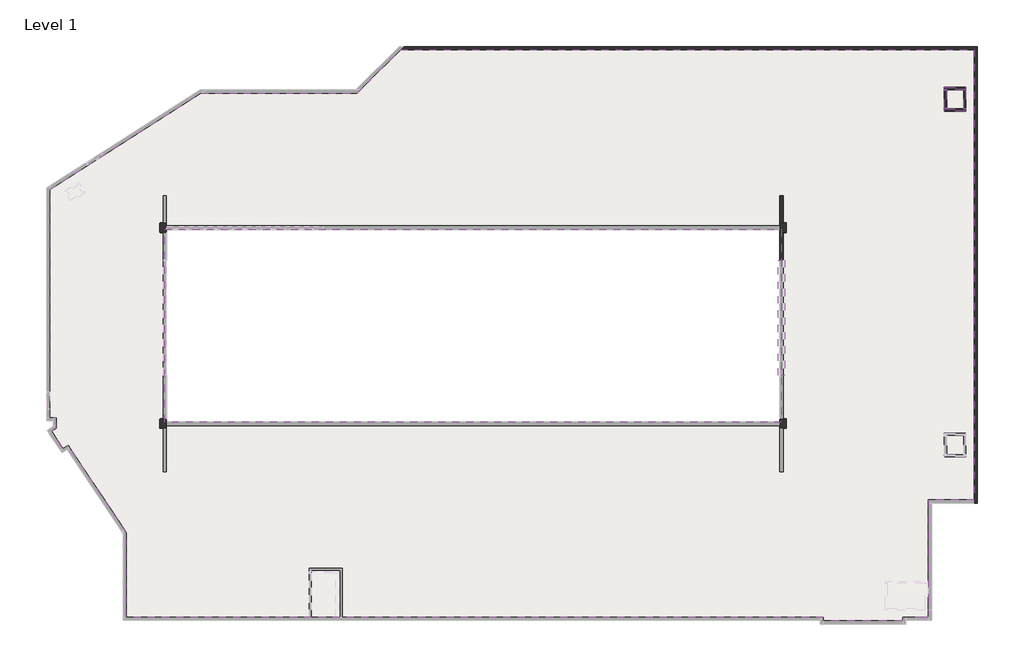
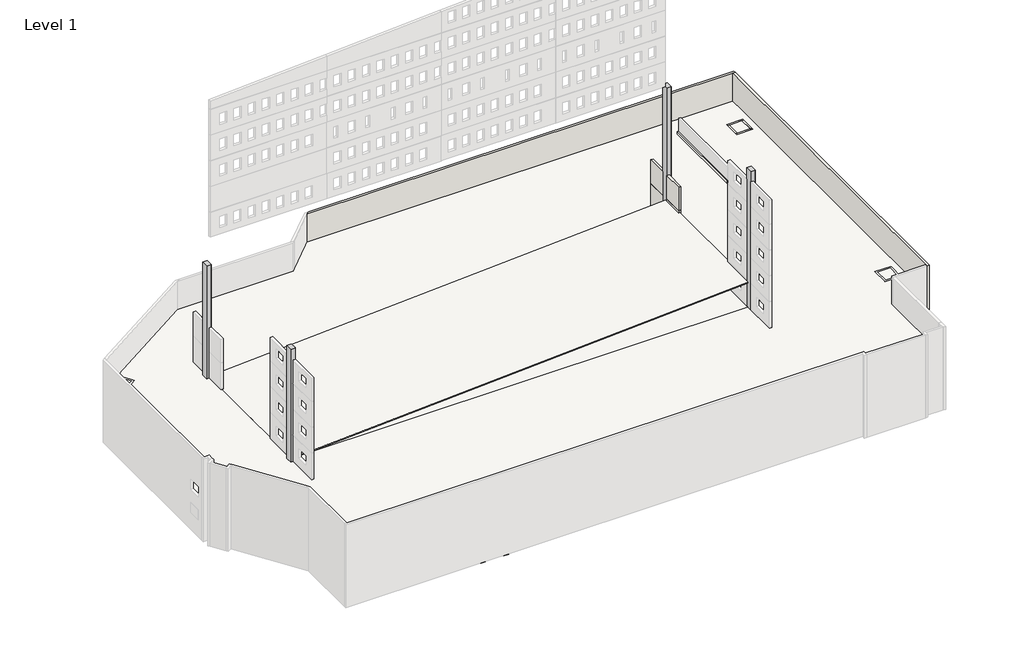
# One storey, part 4 of 4: 13 walls, 8 columns, 8 footings, 5 slabs.
"""IFC4 building model written with IfcOpenShell, lengths in millimetres."""

from ifc_helpers import new_model, si_unit, frame, origin, place, context, project, spatial, polyline, outline, extrude, faceted_brep, element, save

model = new_model("IFC4")

# Units and contexts
model_context = context("Model", 3, world=origin())
ifc_project = project(units=[si_unit("LENGTHUNIT", "METRE", prefix="MILLI")], contexts=[model_context])

# Site, building, storey
site = spatial("IfcSite", under=ifc_project)
building = spatial("IfcBuilding", under=site)
storey = spatial("IfcBuildingStorey", under=building, Name="Level 1", Elevation=0.0)

# Columns
placement = place(None, origin())
element("IfcColumn", 1, ObjectType="03-WPC_CIP Column Rectangular : 26x38", at=placement, inside=storey, context=model_context, shape_type="SweptSolid", body=[
    extrude(outline(polyline([(-5195.7215611, 5966.3319731), (-5195.7215611, 6931.5319731), (-4890.9215611, 6931.5319731), (-4890.9215611, 5966.3319731), (-5195.7215611, 5966.3319731)])), frame((0.0, 0.0, -660.4), z_axis=(0.0, 0.0, 1.0), x_axis=(1.0, 0.0, 0.0)), (0.0, 0.0, 1.0), 1066.8),
])
element("IfcColumn", 2, ObjectType="03-WPC_CIP Column Rectangular : 26x38", at=placement, inside=storey, context=model_context, shape_type="SweptSolid", body=[
    extrude(outline(polyline([(-5195.7215611, -12626.4680269), (-5195.7215611, -11661.2680269), (-4890.9215611, -11661.2680269), (-4890.9215611, -12626.4680269), (-5195.7215611, -12626.4680269)])), frame((0.0, 0.0, -660.4), z_axis=(0.0, 0.0, 1.0), x_axis=(1.0, 0.0, 0.0)), (0.0, 0.0, 1.0), 1066.8),
])
element("IfcColumn", 3, ObjectType="03-WPC_CIP Column Rectangular : 26x38", at=placement, inside=storey, context=model_context, shape_type="SweptSolid", body=[
    extrude(outline(polyline([(54291.0784389, 6931.5319731), (54291.0784389, 5966.3319731), (53986.2784389, 5966.3319731), (53986.2784389, 6931.5319731), (54291.0784389, 6931.5319731)])), frame((0.0, 0.0, -660.4), z_axis=(0.0, 0.0, 1.0), x_axis=(1.0, 0.0, 0.0)), (0.0, 0.0, 1.0), 1066.8),
])
element("IfcColumn", 4, ObjectType="03-WPC_CIP Column Rectangular : 26x38", at=placement, inside=storey, context=model_context, shape_type="SweptSolid", body=[
    extrude(outline(polyline([(54291.0784389, -11661.2680269), (54291.0784389, -12626.4680269), (53986.2784389, -12626.4680269), (53986.2784389, -11661.2680269), (54291.0784389, -11661.2680269)])), frame((0.0, 0.0, -660.4), z_axis=(0.0, 0.0, 1.0), x_axis=(1.0, 0.0, 0.0)), (0.0, 0.0, 1.0), 1066.8),
])
element("IfcColumn", 5, ObjectType="03-WPC_Precast Column-Rectangular : 24 x 36", at=placement, inside=storey, context=model_context, shape_type="Brep", body=[
    faceted_brep([(54246.6284389, 6906.1319731, 406.4), (54265.6784389, 6887.0819731, 406.4), (54265.6784389, 6010.7819731, 406.4), (54246.6284389, 5991.7319731, 406.4), (53675.1284389, 5991.7319731, 406.4), (53656.0784389, 6010.7819731, 406.4), (53656.0784389, 6887.0819731, 406.4), (53675.1284389, 6906.1319731, 406.4), (54246.6284389, 6906.1319731, 25476.2), (54265.6784389, 6887.0819731, 25476.2), (54265.6784389, 6010.7819731, 25476.2), (54246.6284389, 5991.7319731, 25476.2), (53675.1284389, 5991.7319731, 25476.2), (53675.1284389, 5991.7319731, 13665.2), (53675.1284389, 5991.7319731, 10511.0308486), (53675.1284389, 5991.7319731, 10485.6308486), (53675.1284389, 5991.7319731, 7031.2308486), (53675.1284389, 5991.7319731, 7005.8308486), (53675.1284389, 5991.7319731, 3551.4308486), (53675.1284389, 5991.7319731, 3526.0308486), (53675.1284389, 5991.7319731, 528.8308486), (53656.0784389, 6010.7819731, 25476.2), (53656.0784389, 6010.7819731, 13665.2), (53656.0784389, 6010.7819731, 10511.0308486), (53656.0784389, 6010.7819731, 10485.6308486), (53656.0784389, 6010.7819731, 7031.2308486), (53656.0784389, 6010.7819731, 7005.8308486), (53656.0784389, 6010.7819731, 3551.4308486), (53656.0784389, 6010.7819731, 3526.0308486), (53656.0784389, 6010.7819731, 528.8308486), (53656.0784389, 6887.0819731, 25476.2), (53656.0784389, 6887.0819731, 13665.2), (53656.0784389, 6887.0819731, 10511.0308486), (53656.0784389, 6887.0819731, 10485.6308486), (53656.0784389, 6887.0819731, 7031.2308486), (53656.0784389, 6887.0819731, 7005.8308486), (53656.0784389, 6887.0819731, 3551.4308486), (53656.0784389, 6887.0819731, 3526.0308486), (53656.0784389, 6887.0819731, 528.8308486), (53675.1284389, 6906.1319731, 25476.2), (53675.1284389, 6906.1319731, 13665.2), (53675.1284389, 6906.1319731, 10511.0308486), (53675.1284389, 6906.1319731, 10485.6308486), (53675.1284389, 6906.1319731, 7031.2308486), (53675.1284389, 6906.1319731, 7005.8308486), (53675.1284389, 6906.1319731, 3551.4308486), (53675.1284389, 6906.1319731, 3526.0308486), (53675.1284389, 6906.1319731, 528.8308486)], [[[0, 1, 2, 3, 4, 5, 6, 7]], [[8, 9, 1, 0]], [[9, 10, 2, 1]], [[10, 11, 3, 2]], [[11, 12, 13, 14, 15, 16, 17, 18, 19, 20, 4, 3]], [[12, 21, 22, 23, 24, 25, 26, 27, 28, 29, 5, 4, 20, 19, 18, 17, 16, 15, 14, 13]], [[21, 30, 31, 32, 33, 34, 35, 36, 37, 38, 6, 5, 29, 28, 27, 26, 25, 24, 23, 22]], [[30, 39, 40, 41, 42, 43, 44, 45, 46, 47, 7, 6, 38, 37, 36, 35, 34, 33, 32, 31]], [[39, 8, 0, 7, 47, 46, 45, 44, 43, 42, 41, 40]], [[8, 39, 30, 21, 12, 11, 10, 9]]]),
])
element("IfcColumn", 6, ObjectType="03-WPC_Precast Column-Rectangular : 24 x 36", at=placement, inside=storey, context=model_context, shape_type="Brep", body=[
    faceted_brep([(54246.6284389, -11686.6680269, 406.4), (54265.6784389, -11705.7180269, 406.4), (54265.6784389, -12582.0180269, 406.4), (54246.6284389, -12601.0680269, 406.4), (53960.8784389, -12601.0680269, 406.4), (53675.1284389, -12601.0680269, 406.4), (53656.0784389, -12582.0180269, 406.4), (53656.0784389, -11705.7180269, 406.4), (53675.1284389, -11686.6680269, 406.4), (53960.8784389, -11686.6680269, 406.4), (54246.6284389, -11686.6680269, 25476.2), (54265.6784389, -11705.7180269, 25476.2), (54265.6784389, -12582.0180269, 25476.2), (54246.6284389, -12601.0680269, 25476.2), (53675.1284389, -12601.0680269, 25476.2), (53675.1284389, -12601.0680269, 24104.6), (53675.1284389, -12601.0680269, 20828.0), (53675.1284389, -12601.0680269, 20802.6), (53675.1284389, -12601.0680269, 17348.2), (53675.1284389, -12601.0680269, 17322.8), (53675.1284389, -12601.0680269, 13868.4), (53675.1284389, -12601.0680269, 13843.0), (53675.1284389, -12601.0680269, 10388.6), (53675.1284389, -12601.0680269, 10363.2), (53675.1284389, -12601.0680269, 6908.8), (53675.1284389, -12601.0680269, 6883.4), (53675.1284389, -12601.0680269, 3429.0), (53675.1284389, -12601.0680269, 3403.6), (53656.0784389, -12582.0180269, 25476.2), (53656.0784389, -12582.0180269, 24104.6), (53656.0784389, -12582.0180269, 20828.0), (53656.0784389, -12582.0180269, 20802.6), (53656.0784389, -12582.0180269, 17348.2), (53656.0784389, -12582.0180269, 17322.8), (53656.0784389, -12582.0180269, 13868.4), (53656.0784389, -12582.0180269, 13843.0), (53656.0784389, -12582.0180269, 10388.6), (53656.0784389, -12582.0180269, 10363.2), (53656.0784389, -12582.0180269, 6908.8), (53656.0784389, -12582.0180269, 6883.4), (53656.0784389, -12582.0180269, 3429.0), (53656.0784389, -12582.0180269, 3403.6), (53656.0784389, -11705.7180269, 25476.2), (53656.0784389, -11705.7180269, 23926.8), (53656.0784389, -11705.7180269, 20828.0), (53656.0784389, -11705.7180269, 20802.6), (53656.0784389, -11705.7180269, 17348.2), (53656.0784389, -11705.7180269, 17322.8), (53656.0784389, -11705.7180269, 13868.4), (53656.0784389, -11705.7180269, 13843.0), (53656.0784389, -11705.7180269, 10388.6), (53656.0784389, -11705.7180269, 10363.2), (53656.0784389, -11705.7180269, 6908.8), (53656.0784389, -11705.7180269, 6883.4), (53656.0784389, -11705.7180269, 3429.0), (53656.0784389, -11705.7180269, 3403.6), (53675.1284389, -11686.6680269, 25476.2), (53675.1284389, -11686.6680269, 23926.8), (53675.1284389, -11686.6680269, 20828.0), (53675.1284389, -11686.6680269, 20802.6), (53675.1284389, -11686.6680269, 17348.2), (53675.1284389, -11686.6680269, 17322.8), (53675.1284389, -11686.6680269, 13868.4), (53675.1284389, -11686.6680269, 13843.0), (53675.1284389, -11686.6680269, 10388.6), (53675.1284389, -11686.6680269, 10363.2), (53675.1284389, -11686.6680269, 6908.8), (53675.1284389, -11686.6680269, 6883.4), (53675.1284389, -11686.6680269, 3429.0), (53675.1284389, -11686.6680269, 3403.6)], [[[0, 1, 2, 3, 4, 5, 6, 7, 8, 9]], [[10, 11, 1, 0]], [[11, 12, 2, 1]], [[12, 13, 3, 2]], [[13, 14, 15, 16, 17, 18, 19, 20, 21, 22, 23, 24, 25, 26, 27, 5, 4, 3]], [[14, 28, 29, 30, 31, 32, 33, 34, 35, 36, 37, 38, 39, 40, 41, 6, 5, 27, 26, 25, 24, 23, 22, 21, 20, 19, 18, 17, 16, 15]], [[28, 42, 43, 44, 45, 46, 47, 48, 49, 50, 51, 52, 53, 54, 55, 7, 6, 41, 40, 39, 38, 37, 36, 35, 34, 33, 32, 31, 30, 29]], [[42, 56, 57, 58, 59, 60, 61, 62, 63, 64, 65, 66, 67, 68, 69, 8, 7, 55, 54, 53, 52, 51, 50, 49, 48, 47, 46, 45, 44, 43]], [[56, 10, 0, 9, 8, 69, 68, 67, 66, 65, 64, 63, 62, 61, 60, 59, 58, 57]], [[10, 56, 42, 28, 14, 13, 12, 11]]]),
])
element("IfcColumn", 7, ObjectType="03-WPC_Precast Column-Rectangular : 24 x 36", at=placement, inside=storey, context=model_context, shape_type="Brep", body=[
    faceted_brep([(-4579.7715611, 6906.1319731, 406.4), (-4560.7215611, 6887.0819731, 406.4), (-4560.7215611, 6010.7819731, 406.4), (-4579.7715611, 5991.7319731, 406.4), (-4865.5215611, 5991.7319731, 406.4), (-5151.2715611, 5991.7319731, 406.4), (-5170.3215611, 6010.7819731, 406.4), (-5170.3215611, 6887.0819731, 406.4), (-5151.2715611, 6906.1319731, 406.4), (-4865.5215611, 6906.1319731, 406.4), (-4579.7715611, 6906.1319731, 22021.8), (-4560.7215611, 6887.0819731, 22021.8), (-4560.7215611, 6887.0819731, 13566.0329103), (-4560.7215611, 6887.0819731, 10388.6), (-4560.7215611, 6887.0819731, 10363.2), (-4560.7215611, 6887.0819731, 6908.8), (-4560.7215611, 6887.0819731, 6883.4), (-4560.7215611, 6887.0819731, 3429.0), (-4560.7215611, 6887.0819731, 3403.6), (-4579.7715611, 6906.1319731, 3403.6), (-4579.7715611, 6906.1319731, 3429.0), (-4579.7715611, 6906.1319731, 6883.4), (-4579.7715611, 6906.1319731, 6908.8), (-4579.7715611, 6906.1319731, 10363.2), (-4579.7715611, 6906.1319731, 10388.6), (-4579.7715611, 6906.1319731, 13566.0329103), (-4560.7215611, 6010.7819731, 22021.8), (-4560.7215611, 6010.7819731, 13566.0329103), (-4560.7215611, 6010.7819731, 10388.6), (-4560.7215611, 6010.7819731, 10363.2), (-4560.7215611, 6010.7819731, 6908.8), (-4560.7215611, 6010.7819731, 6883.4), (-4560.7215611, 6010.7819731, 3429.0), (-4560.7215611, 6010.7819731, 3403.6), (-4579.7715611, 5991.7319731, 22021.8), (-4579.7715611, 5991.7319731, 13566.0329103), (-4579.7715611, 5991.7319731, 10388.6), (-4579.7715611, 5991.7319731, 10363.2), (-4579.7715611, 5991.7319731, 6908.8), (-4579.7715611, 5991.7319731, 6883.4), (-4579.7715611, 5991.7319731, 3429.0), (-4579.7715611, 5991.7319731, 3403.6), (-5151.2715611, 5991.7319731, 22021.8), (-5170.3215611, 6010.7819731, 22021.8), (-5170.3215611, 6887.0819731, 22021.8), (-5151.2715611, 6906.1319731, 22021.8)], [[[0, 1, 2, 3, 4, 5, 6, 7, 8, 9]], [[10, 11, 12, 13, 14, 15, 16, 17, 18, 1, 0, 19, 20, 21, 22, 23, 24, 25]], [[11, 26, 27, 28, 29, 30, 31, 32, 33, 2, 1, 18, 17, 16, 15, 14, 13, 12]], [[26, 34, 35, 36, 37, 38, 39, 40, 41, 3, 2, 33, 32, 31, 30, 29, 28, 27]], [[34, 42, 5, 4, 3, 41, 40, 39, 38, 37, 36, 35]], [[42, 43, 6, 5]], [[43, 44, 7, 6]], [[44, 45, 8, 7]], [[45, 10, 25, 24, 23, 22, 21, 20, 19, 0, 9, 8]], [[10, 45, 44, 43, 42, 34, 26, 11]]]),
])
element("IfcColumn", 8, ObjectType="03-WPC_Precast Column-Rectangular : 24 x 36", at=placement, inside=storey, context=model_context, shape_type="Brep", body=[
    faceted_brep([(-4579.7715611, -11686.6680269, 406.4), (-4560.7215611, -11705.7180269, 406.4), (-4560.7215611, -12582.0180269, 406.4), (-4579.7715611, -12601.0680269, 406.4), (-4865.5215611, -12601.0680269, 406.4), (-5151.2715611, -12601.0680269, 406.4), (-5170.3215611, -12582.0180269, 406.4), (-5170.3215611, -11705.7180269, 406.4), (-5151.2715611, -11686.6680269, 406.4), (-4865.5215611, -11686.6680269, 406.4), (-4579.7715611, -11686.6680269, 22021.8), (-4560.7215611, -11705.7180269, 22021.8), (-4560.7215611, -11705.7180269, 20472.4044257), (-4560.7215611, -11705.7180269, 17348.2), (-4560.7215611, -11705.7180269, 17322.8), (-4560.7215611, -11705.7180269, 13868.4), (-4560.7215611, -11705.7180269, 13843.0), (-4560.7215611, -11705.7180269, 10388.6), (-4560.7215611, -11705.7180269, 10363.2), (-4560.7215611, -11705.7180269, 6908.8), (-4560.7215611, -11705.7180269, 6883.4), (-4560.7215611, -11705.7180269, 3429.0), (-4560.7215611, -11705.7180269, 3403.6), (-4579.7715611, -11686.6680269, 3403.6), (-4579.7715611, -11686.6680269, 3429.0), (-4579.7715611, -11686.6680269, 6883.4), (-4579.7715611, -11686.6680269, 6908.8), (-4579.7715611, -11686.6680269, 10363.2), (-4579.7715611, -11686.6680269, 10388.6), (-4579.7715611, -11686.6680269, 13843.0), (-4579.7715611, -11686.6680269, 13868.4), (-4579.7715611, -11686.6680269, 17322.8), (-4579.7715611, -11686.6680269, 17348.2), (-4579.7715611, -11686.6680269, 20472.4044257), (-4560.7215611, -12582.0180269, 22021.8), (-4560.7215611, -12582.0180269, 20472.4044257), (-4560.7215611, -12582.0180269, 17348.2), (-4560.7215611, -12582.0180269, 17322.8), (-4560.7215611, -12582.0180269, 13868.4), (-4560.7215611, -12582.0180269, 13843.0), (-4560.7215611, -12582.0180269, 10388.6), (-4560.7215611, -12582.0180269, 10363.2), (-4560.7215611, -12582.0180269, 6908.8), (-4560.7215611, -12582.0180269, 6883.4), (-4560.7215611, -12582.0180269, 3429.0), (-4560.7215611, -12582.0180269, 3403.6), (-4579.7715611, -12601.0680269, 22021.8), (-4579.7715611, -12601.0680269, 20472.4044257), (-4579.7715611, -12601.0680269, 17348.2), (-4579.7715611, -12601.0680269, 17322.8), (-4579.7715611, -12601.0680269, 13868.4), (-4579.7715611, -12601.0680269, 13843.0), (-4579.7715611, -12601.0680269, 10388.6), (-4579.7715611, -12601.0680269, 10363.2), (-4579.7715611, -12601.0680269, 6908.8), (-4579.7715611, -12601.0680269, 6883.4), (-4579.7715611, -12601.0680269, 3429.0), (-4579.7715611, -12601.0680269, 3403.6), (-5151.2715611, -12601.0680269, 22021.8), (-5170.3215611, -12582.0180269, 22021.8), (-5170.3215611, -11705.7180269, 22021.8), (-5151.2715611, -11686.6680269, 22021.8)], [[[0, 1, 2, 3, 4, 5, 6, 7, 8, 9]], [[10, 11, 12, 13, 14, 15, 16, 17, 18, 19, 20, 21, 22, 1, 0, 23, 24, 25, 26, 27, 28, 29, 30, 31, 32, 33]], [[11, 34, 35, 36, 37, 38, 39, 40, 41, 42, 43, 44, 45, 2, 1, 22, 21, 20, 19, 18, 17, 16, 15, 14, 13, 12]], [[34, 46, 47, 48, 49, 50, 51, 52, 53, 54, 55, 56, 57, 3, 2, 45, 44, 43, 42, 41, 40, 39, 38, 37, 36, 35]], [[46, 58, 5, 4, 3, 57, 56, 55, 54, 53, 52, 51, 50, 49, 48, 47]], [[58, 59, 6, 5]], [[59, 60, 7, 6]], [[60, 61, 8, 7]], [[61, 10, 33, 32, 31, 30, 29, 28, 27, 26, 25, 24, 23, 0, 9, 8]], [[10, 61, 60, 59, 58, 46, 34, 11]]]),
])

# Footings
element("IfcFooting", 9, ObjectType="SF-2 24x12", at=placement, inside=storey, context=model_context, shape_type="SweptSolid", body=[
    extrude(outline(polyline([(53503.6784389, 3375.5319731), (54113.2784389, 3375.5319731), (54113.2784389, -7557.3634987), (53503.6784389, -7557.3634987), (53503.6784389, 3375.5319731)])), frame((0.0, 0.0, 20929.6), z_axis=(0.0, 0.0, 1.0), x_axis=(1.0, 0.0, 0.0)), (0.0, 0.0, 1.0), 304.8),
])
element("IfcFooting", 10, ObjectType="SF-2 24x12", at=placement, inside=storey, context=model_context, shape_type="Brep", body=[
    faceted_brep([(8775.4959662, -26250.6259915, -660.4), (8775.4959662, -25641.0259915, -660.4), (8775.4959662, -25641.0259915, -965.2), (8775.4959662, -26250.6259915, -965.2), (9385.0959662, -26250.6259915, -660.4), (11747.2959662, -26250.6259915, -660.4), (12356.8959662, -26250.6259915, -660.4), (12356.8959662, -25641.0259915, -660.4), (12356.8959662, -25641.0259915, -965.2), (12356.8959662, -26250.6259915, -965.2), (11747.2959662, -26250.6259915, -965.2), (9385.0959662, -26250.6259915, -965.2)], [[[0, 1, 2, 3]], [[0, 4, 5, 6, 7, 1]], [[2, 1, 7, 8]], [[3, 2, 8, 9, 10, 11]], [[0, 3, 11, 10, 9, 6, 5, 4]], [[7, 6, 9, 8]]]),
])
element("IfcFooting", 11, ObjectType="SF-2 24x12", at=placement, inside=storey, context=model_context, shape_type="SweptSolid", body=[
    extrude(outline(polyline([(12356.8959662, -30510.7162212), (11747.2959662, -30510.7162212), (11747.2959662, -26250.6259915), (12356.8959662, -26250.6259915), (12356.8959662, -30510.7162212)])), frame((0.0, 0.0, -965.2), z_axis=(0.0, 0.0, 1.0), x_axis=(1.0, 0.0, 0.0)), (0.0, 0.0, 1.0), 304.8),
])
element("IfcFooting", 12, ObjectType="SF-2 24x12", at=placement, inside=storey, context=model_context, shape_type="SweptSolid", body=[
    extrude(outline(polyline([(9385.0959662, -30510.7162212), (8775.4959662, -30510.7162212), (8775.4959662, -26250.6259915), (9385.0959662, -26250.6259915), (9385.0959662, -30510.7162212)])), frame((0.0, 0.0, -965.2), z_axis=(0.0, 0.0, 1.0), x_axis=(1.0, 0.0, 0.0)), (0.0, 0.0, 1.0), 304.8),
])
element("IfcFooting", 13, ObjectType="SF-2 24x12", at=placement, inside=storey, context=model_context, shape_type="Brep", body=[
    faceted_brep([(69067.7767118, -12855.0680269, 558.8), (69067.7767118, -15496.6680269, 558.8), (69677.3767118, -15496.6680269, 558.8), (69677.3767118, -14887.0680269, 558.8), (69677.3767118, -13464.6680269, 558.8), (69677.3767118, -12855.0680269, 558.8), (69677.3767118, -12855.0680269, 254.0), (69677.3767118, -15496.6680269, 254.0), (69677.3767118, -14887.0680269, 254.0), (69677.3767118, -13464.6680269, 254.0), (69067.7767118, -12855.0680269, 254.0), (69067.7767118, -15496.6680269, 254.0)], [[[0, 1, 2, 3, 4, 5]], [[6, 5, 4, 3, 2, 7, 8, 9]], [[10, 6, 9, 8, 7, 11]], [[0, 10, 11, 1]], [[0, 5, 6, 10]], [[2, 1, 11, 7]]]),
])
element("IfcFooting", 14, ObjectType="SF-2 24x12", at=placement, inside=storey, context=model_context, shape_type="Brep", body=[
    faceted_brep([(70902.9267118, -12855.0680269, 558.8), (70902.9267118, -13464.6680269, 558.8), (70902.9267118, -14887.0680269, 558.8), (70902.9267118, -15496.6680269, 558.8), (71512.5267118, -15496.6680269, 558.8), (71512.5267118, -12855.0680269, 558.8), (71512.5267118, -12855.0680269, 254.0), (71512.5267118, -15496.6680269, 254.0), (70902.9267118, -12855.0680269, 254.0), (70902.9267118, -15496.6680269, 254.0), (70902.9267118, -14887.0680269, 254.0), (70902.9267118, -13464.6680269, 254.0)], [[[0, 1, 2, 3, 4, 5]], [[6, 5, 4, 7]], [[8, 6, 7, 9, 10, 11]], [[0, 8, 11, 10, 9, 3, 2, 1]], [[0, 5, 6, 8]], [[4, 3, 9, 7]]]),
])
element("IfcFooting", 15, ObjectType="SF-2 24x12", at=placement, inside=storey, context=model_context, shape_type="SweptSolid", body=[
    extrude(outline(polyline([(69677.3767118, -13464.6680269), (69677.3767118, -12855.0680269), (70902.9267118, -12855.0680269), (70902.9267118, -13464.6680269), (69677.3767118, -13464.6680269)])), frame((0.0, 0.0, 254.0), z_axis=(0.0, 0.0, 1.0), x_axis=(1.0, 0.0, 0.0)), (0.0, 0.0, 1.0), 304.8),
])
element("IfcFooting", 16, ObjectType="SF-2 24x12", at=placement, inside=storey, context=model_context, shape_type="SweptSolid", body=[
    extrude(outline(polyline([(69677.3767118, -15496.6680269), (69677.3767118, -14887.0680269), (70902.9267118, -14887.0680269), (70902.9267118, -15496.6680269), (69677.3767118, -15496.6680269)])), frame((0.0, 0.0, 254.0), z_axis=(0.0, 0.0, 1.0), x_axis=(1.0, 0.0, 0.0)), (0.0, 0.0, 1.0), 304.8),
])

# Slabs
element("IfcSlab", 17, ObjectType="WPC CIP Slab 6\"", at=placement, inside=storey, context=model_context, shape_type="SweptSolid", body=[
    extrude(outline(polyline([(6604.0, 53808.4784389), (6756.4, 53808.4784389), (3657.6, -4713.1215611), (3505.2, -4713.1215611), (6604.0, 53808.4784389)])), frame((0.0, -11991.4680269, 0.0), z_axis=(0.0, 1.0, 0.0), x_axis=(0.0, 0.0, 1.0)), (0.0, 0.0, 1.0), 18288.0),
])
element("IfcSlab", 18, ObjectType="WPC CIP Slab 6\"", at=placement, inside=storey, context=model_context, shape_type="SweptSolid", body=[
    extrude(outline(polyline([(10058.4, 53808.4784389), (10210.8, 53808.4784389), (6756.4, -4713.1215611), (6604.0, -4713.1215611), (10058.4, 53808.4784389)])), frame((0.0, -11991.4680269, 0.0), z_axis=(0.0, 1.0, 0.0), x_axis=(0.0, 0.0, 1.0)), (0.0, 0.0, 1.0), 18288.0),
])
element("IfcSlab", 19, ObjectType="WPC CIP Slab 6\"", at=placement, inside=storey, context=model_context, shape_type="SweptSolid", body=[
    extrude(outline(polyline([(-15625.8776372, 10062.0489227), (-1257.9452886, 19222.4837788), (13547.5439556, 19222.4837788), (17662.3439556, 23337.2837788), (72105.7223628, 23337.2837788), (72105.7223628, -19385.5162212), (67745.3892118, -19385.5162212), (67745.3892118, -29851.1905584), (67745.3892118, -30510.7162212), (65298.5223628, -30510.7162212), (65298.5223628, -30866.3162212), (57780.1223628, -30866.3162212), (57780.1223628, -30510.7162212), (-8349.0217678, -30510.7162212), (-8349.0217678, -22485.8004435), (-13893.7245259, -14178.3367108), (-14370.5731276, -14500.052641), (-15457.409766, -12869.741527), (-14990.8776372, -12558.7308209), (-14990.8776372, -11562.3162212), (-15625.8776372, -11562.3162212), (-15625.8776372, 10062.0489227)]), holes=[polyline([(-4560.7215611, -11991.4680269), (53656.0784389, -11991.4680269), (53656.0784389, 6296.5319731), (-4560.7215611, 6296.5319731), (-4560.7215611, -11991.4680269)])]), frame((0.0, 0.0, 406.4), z_axis=(0.0, 0.0, 1.0), x_axis=(1.0, 0.0, 0.0)), (0.0, 0.0, 1.0), 152.4),
])
element("IfcSlab", 20, ObjectType="WPC CIP Slab 6\"", at=placement, inside=storey, context=model_context, shape_type="SweptSolid", body=[
    extrude(outline(polyline([(-15625.8776372, 10062.0489227), (-1257.9452886, 19222.4837788), (13547.5439556, 19222.4837788), (17662.3439556, 23337.2837788), (72105.7223628, 23337.2837788), (72105.7223628, -19385.5162212), (67745.3892118, -19385.5162212), (67745.3892118, -29944.9041189), (67745.3892118, -30510.7162212), (65298.5223628, -30510.7162212), (65298.5223628, -30866.3162212), (57780.1223628, -30866.3162212), (57780.1223628, -30510.7162212), (-8349.0217678, -30510.7162212), (-8349.0217678, -22485.8004435), (-13893.7245259, -14178.3367108), (-14370.5731276, -14500.052641), (-15457.409766, -12869.741527), (-14990.8776372, -12558.7308209), (-14990.8776372, -11562.3162212), (-15625.8776372, -11562.3162212), (-15625.8776372, 10062.0489227)]), holes=[polyline([(53656.0784389, -11991.4680269), (53656.0784389, 6296.5319731), (-4560.7215611, 6296.5319731), (-4560.7215611, -11991.4680269), (53656.0784389, -11991.4680269)])]), frame((0.0, 0.0, 3505.2), z_axis=(0.0, 0.0, 1.0), x_axis=(1.0, 0.0, 0.0)), (0.0, 0.0, 1.0), 152.4),
])
element("IfcSlab", 21, ObjectType="WPC CIP Slab 6\"", at=placement, inside=storey, context=model_context, shape_type="SweptSolid", body=[
    extrude(outline(polyline([(-15625.8776372, 10062.0489227), (-1257.9452886, 19222.4837788), (13547.5439556, 19222.4837788), (17662.3439556, 23337.2837788), (72105.7223628, 23337.2837788), (72105.7223628, -19385.5162212), (67745.3892118, -19385.5162212), (67745.3892118, -29851.1905584), (67745.3892118, -30510.7162212), (65298.5223628, -30510.7162212), (65298.5223628, -30866.3162212), (57780.1223628, -30866.3162212), (57780.1223628, -30510.7162212), (-8349.0217678, -30510.7162212), (-8349.0217678, -22485.8004435), (-13893.7245259, -14178.3367108), (-14370.5731276, -14500.052641), (-15457.409766, -12869.741527), (-14990.8776372, -12558.7308209), (-14990.8776372, -11562.3162212), (-15625.8776372, -11562.3162212), (-15625.8776372, 10062.0489227)]), holes=[polyline([(53656.0784389, -11991.4680269), (53656.0784389, 6296.5319731), (-4560.7215611, 6296.5319731), (-4560.7215611, -11991.4680269), (53656.0784389, -11991.4680269)])]), frame((0.0, 0.0, 6604.0), z_axis=(0.0, 0.0, 1.0), x_axis=(1.0, 0.0, 0.0)), (0.0, 0.0, 1.0), 152.4),
])

# Walls
element("IfcWall", 22, at=placement, inside=storey, context=model_context, shape_type="SweptSolid", body=[
    extrude(outline(polyline([(53656.0784389, 9496.9319731), (53960.8784389, 9496.9319731), (53960.8784389, 6906.1319731), (53675.1284389, 6906.1319731), (53656.0784389, 6887.0819731), (53656.0784389, 9496.9319731)])), frame((0.0, 0.0, 528.8308486), z_axis=(0.0, 0.0, 1.0), x_axis=(1.0, 0.0, 0.0)), (0.0, 0.0, 1.0), 2997.2),
    extrude(outline(polyline([(53960.8784389, 3375.5319731), (53656.0784389, 3375.5319731), (53656.0784389, 6010.7819731), (53675.1284389, 5991.7319731), (53960.8784389, 5991.7319731), (53960.8784389, 3375.5319731)])), frame((0.0, 0.0, 10511.0308486), z_axis=(0.0, 0.0, 1.0), x_axis=(1.0, 0.0, 0.0)), (0.0, 0.0, 1.0), 3154.1691514),
    extrude(outline(polyline([(53656.0784389, 9496.9319731), (53960.8784389, 9496.9319731), (53960.8784389, 6906.1319731), (53675.1284389, 6906.1319731), (53656.0784389, 6887.0819731), (53656.0784389, 9496.9319731)])), frame((0.0, 0.0, 10511.0308486), z_axis=(0.0, 0.0, 1.0), x_axis=(1.0, 0.0, 0.0)), (0.0, 0.0, 1.0), 3154.1691514),
    extrude(outline(polyline([(53960.8784389, 3375.5319731), (53656.0784389, 3375.5319731), (53656.0784389, 6010.7819731), (53675.1284389, 5991.7319731), (53960.8784389, 5991.7319731), (53960.8784389, 3375.5319731)])), frame((0.0, 0.0, 528.8308486), z_axis=(0.0, 0.0, 1.0), x_axis=(1.0, 0.0, 0.0)), (0.0, 0.0, 1.0), 2997.2),
    extrude(outline(polyline([(53960.8784389, 3375.5319731), (53656.0784389, 3375.5319731), (53656.0784389, 6010.7819731), (53675.1284389, 5991.7319731), (53960.8784389, 5991.7319731), (53960.8784389, 3375.5319731)])), frame((0.0, 0.0, 7031.2308486), z_axis=(0.0, 0.0, 1.0), x_axis=(1.0, 0.0, 0.0)), (0.0, 0.0, 1.0), 3454.4),
    extrude(outline(polyline([(53656.0784389, 9496.9319731), (53960.8784389, 9496.9319731), (53960.8784389, 6906.1319731), (53675.1284389, 6906.1319731), (53656.0784389, 6887.0819731), (53656.0784389, 9496.9319731)])), frame((0.0, 0.0, 7031.2308486), z_axis=(0.0, 0.0, 1.0), x_axis=(1.0, 0.0, 0.0)), (0.0, 0.0, 1.0), 3454.4),
    extrude(outline(polyline([(53960.8784389, 3375.5319731), (53656.0784389, 3375.5319731), (53656.0784389, 6010.7819731), (53675.1284389, 5991.7319731), (53960.8784389, 5991.7319731), (53960.8784389, 3375.5319731)])), frame((0.0, 0.0, 3551.4308486), z_axis=(0.0, 0.0, 1.0), x_axis=(1.0, 0.0, 0.0)), (0.0, 0.0, 1.0), 3454.4),
    extrude(outline(polyline([(53656.0784389, 9496.9319731), (53960.8784389, 9496.9319731), (53960.8784389, 6906.1319731), (53675.1284389, 6906.1319731), (53656.0784389, 6887.0819731), (53656.0784389, 9496.9319731)])), frame((0.0, 0.0, 3551.4308486), z_axis=(0.0, 0.0, 1.0), x_axis=(1.0, 0.0, 0.0)), (0.0, 0.0, 1.0), 3454.4),
])
element("IfcWall", 23, ObjectType="WPC - 8\" Masonry", at=placement, inside=storey, context=model_context, shape_type="SweptSolid", body=[
    extrude(outline(polyline([(19555.3319731, 558.8), (17726.5319731, 558.8), (17726.5319731, 3657.6), (19555.3319731, 3657.6), (19555.3319731, 558.8)]), holes=[polyline([(19477.8562466, 3048.0), (17777.3319731, 3048.0), (17777.3319731, 1495.4584403), (19477.8562466, 1495.4584403), (19477.8562466, 3048.0)])]), frame((69270.9767118, 0.0, 0.0), z_axis=(1.0, 0.0, 0.0), x_axis=(0.0, 1.0, 0.0)), (0.0, 0.0, 1.0), 203.2),
])
element("IfcWall", 24, ObjectType="WPC - 8\" Masonry", at=placement, inside=storey, context=model_context, shape_type="SweptSolid", body=[
    extrude(outline(polyline([(19555.3319731, 3657.6), (17726.5319731, 3657.6), (17726.5319731, 6756.4), (19555.3319731, 6756.4), (19555.3319731, 3657.6)]), holes=[polyline([(19477.8562466, 6146.8), (17777.3319731, 6146.8), (17777.3319731, 4594.2584403), (19477.8562466, 4594.2584403), (19477.8562466, 6146.8)])]), frame((69270.9767118, 0.0, 0.0), z_axis=(1.0, 0.0, 0.0), x_axis=(0.0, 1.0, 0.0)), (0.0, 0.0, 1.0), 203.2),
])
element("IfcWall", 25, ObjectType="WPC - 8\" Masonry", at=placement, inside=storey, context=model_context, shape_type="SweptSolid", body=[
    extrude(outline(polyline([(71106.1267118, 17726.5319731), (71106.1267118, 19555.3319731), (71309.3267118, 19555.3319731), (71309.3267118, 17726.5319731), (71106.1267118, 17726.5319731)])), frame((0.0, 0.0, 558.8), z_axis=(0.0, 0.0, 1.0), x_axis=(1.0, 0.0, 0.0)), (0.0, 0.0, 1.0), 3098.8),
])
element("IfcWall", 26, ObjectType="WPC - 8\" Masonry", at=placement, inside=storey, context=model_context, shape_type="SweptSolid", body=[
    extrude(outline(polyline([(71106.1267118, 17726.5319731), (71106.1267118, 19555.3319731), (71309.3267118, 19555.3319731), (71309.3267118, 17726.5319731), (71106.1267118, 17726.5319731)])), frame((0.0, 0.0, 3657.6), z_axis=(0.0, 0.0, 1.0), x_axis=(1.0, 0.0, 0.0)), (0.0, 0.0, 1.0), 3098.8),
])
element("IfcWall", 27, ObjectType="WPC - 8\" Masonry", at=placement, inside=storey, context=model_context, shape_type="Brep", body=[
    faceted_brep([(71309.3267118, 19758.5319731, 558.8), (69270.9767118, 19758.5319731, 558.8), (69270.9767118, 19758.5319731, 3657.6), (71309.3267118, 19758.5319731, 3657.6), (71309.3267118, 19555.3319731, 558.8), (71309.3267118, 19555.3319731, 3657.6), (71106.1267118, 19555.3319731, 3657.6), (69474.1767118, 19555.3319731, 3657.6), (69270.9767118, 19555.3319731, 3657.6), (69270.9767118, 19555.3319731, 558.8), (69474.1767118, 19555.3319731, 558.8), (71106.1267118, 19555.3319731, 558.8)], [[[0, 1, 2, 3]], [[4, 5, 6, 7, 8, 9, 10, 11]], [[2, 1, 9, 8]], [[0, 3, 5, 4]], [[1, 0, 4, 11, 10, 9]], [[3, 2, 8, 7, 6, 5]]]),
])
element("IfcWall", 28, ObjectType="WPC - 8\" Masonry", at=placement, inside=storey, context=model_context, shape_type="Brep", body=[
    faceted_brep([(71309.3267118, 17726.5319731, 3657.6), (71106.1267118, 17726.5319731, 3657.6), (69474.1767118, 17726.5319731, 3657.6), (69270.9767118, 17726.5319731, 3657.6), (69270.9767118, 17726.5319731, 6756.4), (69474.1767118, 17726.5319731, 6756.4), (71106.1267118, 17726.5319731, 6756.4), (71309.3267118, 17726.5319731, 6756.4), (71309.3267118, 17523.3319731, 3657.6), (71309.3267118, 17523.3319731, 6756.4), (69270.9767118, 17523.3319731, 6756.4), (69270.9767118, 17523.3319731, 3657.6)], [[[0, 1, 2, 3, 4, 5, 6, 7]], [[8, 9, 10, 11]], [[4, 3, 11, 10]], [[0, 7, 9, 8]], [[3, 2, 1, 0, 8, 11]], [[7, 6, 5, 4, 10, 9]]]),
])
element("IfcWall", 29, ObjectType="WPC - 8\" Masonry", at=placement, inside=storey, context=model_context, shape_type="Brep", body=[
    faceted_brep([(71309.3267118, 17726.5319731, 558.8), (71106.1267118, 17726.5319731, 558.8), (69474.1767118, 17726.5319731, 558.8), (69270.9767118, 17726.5319731, 558.8), (69270.9767118, 17726.5319731, 3657.6), (69474.1767118, 17726.5319731, 3657.6), (71106.1267118, 17726.5319731, 3657.6), (71309.3267118, 17726.5319731, 3657.6), (71309.3267118, 17523.3319731, 558.8), (71309.3267118, 17523.3319731, 3657.6), (69270.9767118, 17523.3319731, 3657.6), (69270.9767118, 17523.3319731, 558.8)], [[[0, 1, 2, 3, 4, 5, 6, 7]], [[8, 9, 10, 11]], [[4, 3, 11, 10]], [[0, 7, 9, 8]], [[3, 2, 1, 0, 8, 11]], [[7, 6, 5, 4, 10, 9]]]),
])
element("IfcWall", 30, ObjectType="WPC - 8\" Masonry", at=placement, inside=storey, context=model_context, shape_type="Brep", body=[
    faceted_brep([(71309.3267118, 19758.5319731, 3657.6), (69270.9767118, 19758.5319731, 3657.6), (69270.9767118, 19758.5319731, 6756.4), (71309.3267118, 19758.5319731, 6756.4), (71309.3267118, 19555.3319731, 3657.6), (71309.3267118, 19555.3319731, 6756.4), (71106.1267118, 19555.3319731, 6756.4), (69474.1767118, 19555.3319731, 6756.4), (69270.9767118, 19555.3319731, 6756.4), (69270.9767118, 19555.3319731, 3657.6), (69474.1767118, 19555.3319731, 3657.6), (71106.1267118, 19555.3319731, 3657.6)], [[[0, 1, 2, 3]], [[4, 5, 6, 7, 8, 9, 10, 11]], [[2, 1, 9, 8]], [[0, 3, 5, 4]], [[1, 0, 4, 11, 10, 9]], [[3, 2, 8, 7, 6, 5]]]),
])
element("IfcWall", 31, ObjectType="WPC - 8\" Masonry", at=placement, inside=storey, context=model_context, shape_type="SweptSolid", body=[
    extrude(outline(polyline([(69270.9767118, 17777.3319731), (69270.9767118, 19477.8562466), (69474.1767118, 19477.8562466), (69474.1767118, 17777.3319731), (69270.9767118, 17777.3319731)])), frame((0.0, 0.0, 1495.4584403), z_axis=(0.0, 0.0, 1.0), x_axis=(1.0, 0.0, 0.0)), (0.0, 0.0, 1.0), 1552.5415597),
])
element("IfcWall", 32, ObjectType="WPC 12\" CIP", at=placement, inside=storey, context=model_context, shape_type="Brep", body=[
    faceted_brep([(72410.5223628, 23642.0837788, -660.4), (17967.1439556, 23642.0837788, -660.4), (17967.1439556, 23642.0837788, 10541.0), (72410.5223628, 23642.0837788, 10541.0), (72410.5223628, 23337.2837788, -660.4), (72410.5223628, 23337.2837788, 10541.0), (72105.7223628, 23337.2837788, 10541.0), (17662.3439556, 23337.2837788, 10541.0), (17662.3439556, 23337.2837788, -660.4), (72105.7223628, 23337.2837788, -660.4)], [[[0, 1, 2, 3]], [[4, 5, 6, 7, 8, 9]], [[1, 0, 4, 9, 8]], [[3, 2, 7, 6, 5]], [[2, 1, 8, 7]], [[0, 3, 5, 4]]]),
])
element("IfcWall", 33, ObjectType="WPC 12\" CIP", at=placement, inside=storey, context=model_context, shape_type="Brep", body=[
    faceted_brep([(72410.5223628, -19690.3162212, -660.4), (72410.5223628, 23337.2837788, -660.4), (72410.5223628, 23337.2837788, 10541.0), (72410.5223628, -19690.3162212, 10541.0), (72105.7223628, -19690.3162212, -660.4), (72105.7223628, -19690.3162212, 10541.0), (72105.7223628, -19385.5162212, 10541.0), (72105.7223628, 23337.2837788, 10541.0), (72105.7223628, 23337.2837788, -660.4), (72105.7223628, -19385.5162212, -660.4)], [[[0, 1, 2, 3]], [[4, 5, 6, 7, 8, 9]], [[1, 0, 4, 9, 8]], [[3, 2, 7, 6, 5]], [[2, 1, 8, 7]], [[0, 3, 5, 4]]]),
])
element("IfcWall", 34, ObjectType="WPC 14\" CIP Foundation", at=placement, inside=storey, context=model_context, shape_type="Brep", body=[
    faceted_brep([(53630.6784389, 9522.3319731, -660.4), (53630.6784389, 3375.5319731, -660.4), (53630.6784389, 3375.5319731, 406.4), (53630.6784389, 9522.3319731, 406.4), (53986.2784389, 9522.3319731, -660.4), (53986.2784389, 9522.3319731, 406.4), (53986.2784389, 6931.5319731, 406.4), (53986.2784389, 5966.3319731, 406.4), (53986.2784389, 3375.5319731, 406.4), (53986.2784389, 3375.5319731, -660.4), (53986.2784389, 5966.3319731, -660.4), (53986.2784389, 6931.5319731, -660.4)], [[[0, 1, 2, 3]], [[4, 5, 6, 7, 8, 9, 10, 11]], [[1, 0, 4, 11, 10, 9]], [[2, 1, 9, 8]], [[3, 2, 8, 7, 6, 5]], [[0, 3, 5, 4]]]),
])

save(model, "model.ifc")
